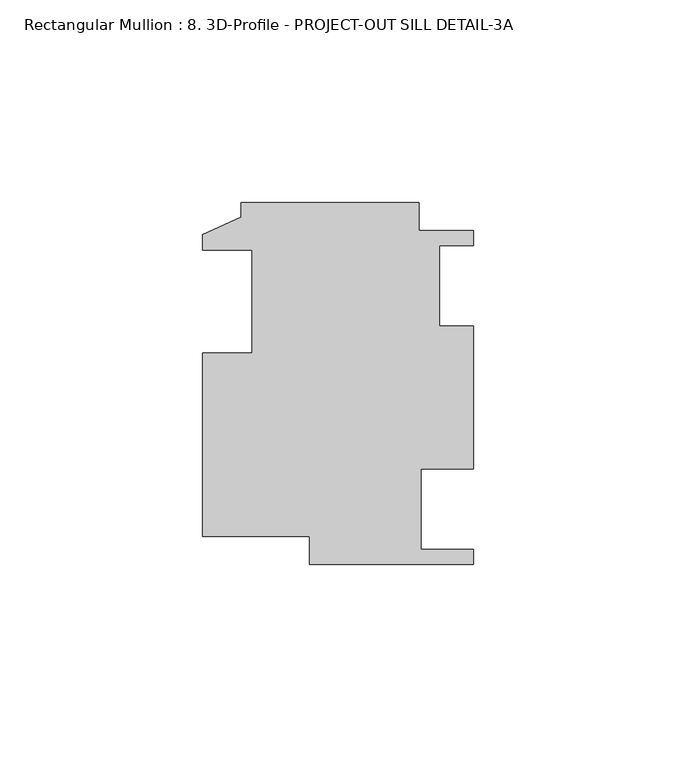
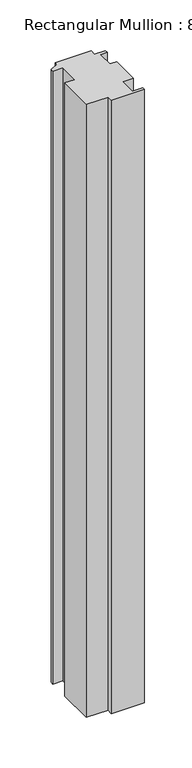
"""IFC4 building model written with IfcOpenShell, lengths in millimetres: member geometry, Rectangular Mullion : 8. 3D-Profile - PROJECT-OUT SILL DETAIL-3A."""

import ifcopenshell
import ifcopenshell.guid

model = None  # the IFC model being written
_history = None  # IfcOwnerHistory: only IFC2X3 demands one
_inside = {}  # id of a spatial element -> (the spatial element, [elements in it])
_under = {}  # id of a project, library or spatial element -> (it, [spatial elements below it])
_declared = {}  # id of a project -> (the project, [libraries it declares])
_typed = {}  # id of a type object -> (the type object, [elements of that type])
_made_of = {}  # id of a material, layer set ... -> (it, [elements and type objects made of it])


def new_model(schema):
    """Start an empty IFC model of exactly this schema.

    Asked for "IFC4X3", IfcOpenShell would pick the latest addendum, in which some entities
    have other attributes; the version numbers below select the first issue.
    IFC2X3 requires an IfcOwnerHistory on every rooted entity: one is made here for all.
    """
    global model, _history
    if schema == "IFC4X3":
        model = ifcopenshell.file(schema_version=(4, 3, 0, 0))
    else:
        model = ifcopenshell.file(schema=schema)
    _inside.clear()
    _under.clear()
    _declared.clear()
    _typed.clear()
    _made_of.clear()
    _history = None
    if model.schema == "IFC2X3":
        org = make("IfcOrganization", Name="unknown")
        user = make(
            "IfcPersonAndOrganization",
            ThePerson=make("IfcPerson", FamilyName="unknown"),
            TheOrganization=org,
        )
        app = make(
            "IfcApplication",
            ApplicationDeveloper=org,
            Version="unknown",
            ApplicationFullName="unknown",
            ApplicationIdentifier="unknown",
        )
        _history = make(
            "IfcOwnerHistory",
            OwningUser=user,
            OwningApplication=app,
            ChangeAction="ADDED",
            CreationDate=0,
        )
    return model


def make(cls, **values):
    """One entity of the class cls with the attributes given. An attribute that is None is left unset."""
    return model.create_entity(
        cls, **{name: value for name, value in values.items() if value is not None}
    )


def rooted(cls, **values):
    """An entity with a GlobalId (a new one), such as an element, a storey or a relation."""
    return make(cls, GlobalId=ifcopenshell.guid.new(), OwnerHistory=_history, **values)


def si_unit(unit_type, name, prefix=None):
    """IfcSIUnit, for example si_unit("LENGTHUNIT", "METRE", prefix="MILLI")."""
    return make("IfcSIUnit", UnitType=unit_type, Prefix=prefix, Name=name)


def assignment(units):
    """IfcUnitAssignment: the units of a project."""
    return None if units is None else make("IfcUnitAssignment", Units=units)


def point(xyz):
    """IfcCartesianPoint."""
    return None if xyz is None else make("IfcCartesianPoint", Coordinates=xyz)


def direction(xyz):
    """IfcDirection."""
    return None if xyz is None else make("IfcDirection", DirectionRatios=xyz)


def frame(location, z_axis=None, x_axis=None):
    """IfcAxis2Placement3D, a coordinate frame: its origin and axes. An axis left out is left unset."""
    return make(
        "IfcAxis2Placement3D",
        Location=point(location),
        Axis=direction(z_axis),
        RefDirection=direction(x_axis),
    )


def origin():
    """The frame at (0, 0, 0) with its axes left unset."""
    return frame((0.0, 0.0, 0.0))


def place(relative_to, where):
    """IfcLocalPlacement: puts the frame where relative to a parent placement (None: the world)."""
    return make(
        "IfcLocalPlacement", PlacementRelTo=relative_to, RelativePlacement=where
    )


def context(
    kind, dimensions, precision=None, world=None, true_north=None, identifier=None
):
    """IfcGeometricRepresentationContext, for example the 3D "Model" context."""
    return make(
        "IfcGeometricRepresentationContext",
        ContextIdentifier=identifier,
        ContextType=kind,
        CoordinateSpaceDimension=dimensions,
        Precision=precision,
        WorldCoordinateSystem=world,
        TrueNorth=true_north,
    )


def project(units=None, contexts=None):
    """IfcProject with its units and contexts."""
    return rooted(
        "IfcProject",
        Name="project",
        RepresentationContexts=contexts,
        UnitsInContext=assignment(units),
    )


def spatial(cls, under=None, at=None, **own):
    """A site, building, storey or space (cls), placed at a placement, below another one or the project."""
    s = rooted(cls, ObjectPlacement=at, **own)
    if under is not None:
        _under.setdefault(under.id(), (under, []))[1].append(s)
    return s


def polyline(points):
    """IfcPolyline through the points."""
    return make("IfcPolyline", Points=[point(p) for p in points])


def outline(outer, holes=None, kind="AREA"):
    """IfcArbitraryClosedProfileDef: a profile drawn as a closed curve; with holes, ...WithVoids."""
    if holes is None:
        return make("IfcArbitraryClosedProfileDef", ProfileType=kind, OuterCurve=outer)
    return make(
        "IfcArbitraryProfileDefWithVoids",
        ProfileType=kind,
        OuterCurve=outer,
        InnerCurves=holes,
    )


def extrude(swept, where, along, depth):
    """IfcExtrudedAreaSolid: the profile swept, set in the frame where, extruded along a direction by depth."""
    return make(
        "IfcExtrudedAreaSolid",
        SweptArea=swept,
        Position=where,
        ExtrudedDirection=direction(along),
        Depth=depth,
    )


def shape(context_of_items, identifier, shape_type, items):
    """IfcShapeRepresentation: the items that make up one representation, for example the "Body"."""
    return make(
        "IfcShapeRepresentation",
        ContextOfItems=context_of_items,
        RepresentationIdentifier=identifier,
        RepresentationType=shape_type,
        Items=items,
    )


def source(mapping_origin, context_of_items, identifier, shape_type, items):
    """IfcRepresentationMap: a shape defined once, which mapped items show again and again."""
    return make(
        "IfcRepresentationMap",
        MappingOrigin=mapping_origin,
        MappedRepresentation=shape(context_of_items, identifier, shape_type, items),
    )


def transform(
    local_origin,
    x_axis=None,
    y_axis=None,
    z_axis=None,
    scale=None,
    scale2=None,
    scale3=None,
    uniform=True,
):
    """IfcCartesianTransformationOperator3D, or its non-uniform kind. x_axis, y_axis, z_axis: its Axis1, 2, 3."""
    if uniform:
        return make(
            "IfcCartesianTransformationOperator3D",
            Axis1=direction(x_axis),
            Axis2=direction(y_axis),
            LocalOrigin=point(local_origin),
            Scale=scale,
            Axis3=direction(z_axis),
        )
    return make(
        "IfcCartesianTransformationOperator3DnonUniform",
        Axis1=direction(x_axis),
        Axis2=direction(y_axis),
        LocalOrigin=point(local_origin),
        Scale=scale,
        Axis3=direction(z_axis),
        Scale2=scale2,
        Scale3=scale3,
    )


def mapped(mapping_source, mapping_target):
    """IfcMappedItem: shows the shape of a source again, moved by a transform."""
    return make(
        "IfcMappedItem", MappingSource=mapping_source, MappingTarget=mapping_target
    )


def made_of(thing, what):
    """Note that an element or type object is made of a material, layer set ...; save() writes the relation."""
    if what is not None:
        _made_of.setdefault(what.id(), (what, []))[1].append(thing)
    return thing


def element(
    cls,
    number,
    at=None,
    inside=None,
    cuts=None,
    type_object=None,
    material=None,
    context=None,
    identifier="Body",
    shape_type=None,
    held_by="IfcProductDefinitionShape",
    body=None,
    shapes=None,
    **own,
):
    """One element of the class cls, such as IfcWall. Its Tag is "e" and its number.

    at: its placement. inside: the storey or other place that contains it. cuts: it is an
    opening in that element (IfcRelVoidsElement). A single representation is given by context,
    identifier, shape_type and body (its items); several are given by shapes. held_by: the class
    of the entity that holds the representations. save() writes the other relations.
    """
    e = rooted(cls, Tag="e%d" % number, ObjectPlacement=at, **own)
    if body is not None:
        shapes = [shape(context, identifier, shape_type, body)]
    if shapes is not None:
        e.Representation = make(held_by, Representations=shapes)
    if inside is not None:
        _inside.setdefault(inside.id(), (inside, []))[1].append(e)
    if cuts is not None:
        rooted(
            "IfcRelVoidsElement", RelatingBuildingElement=cuts, RelatedOpeningElement=e
        )
    if type_object is not None:
        _typed.setdefault(type_object.id(), (type_object, []))[1].append(e)
    return made_of(e, material)


def aggregate(whole, parts):
    """IfcRelAggregates: a whole, such as a stair, and the parts it consists of."""
    return rooted("IfcRelAggregates", RelatingObject=whole, RelatedObjects=parts)


def save(model, path):
    """Write the relations noted so far, then the file.

    IfcRelAggregates (storeys below a building ...), IfcRelContainedInSpatialStructure (elements
    in a storey), IfcRelDefinesByType, IfcRelAssociatesMaterial and IfcRelDeclares: one each for
    every whole, place, type object, material and project.
    """
    for whole, parts in _under.values():
        aggregate(whole, parts)
    for where, things in _inside.values():
        rooted(
            "IfcRelContainedInSpatialStructure",
            RelatedElements=things,
            RelatingStructure=where,
        )
    for kind, things in _typed.values():
        rooted("IfcRelDefinesByType", RelatedObjects=things, RelatingType=kind)
    for what, things in _made_of.values():
        rooted("IfcRelAssociatesMaterial", RelatedObjects=things, RelatingMaterial=what)
    for by, libraries in _declared.values():
        rooted("IfcRelDeclares", RelatingContext=by, RelatedDefinitions=libraries)
    model.write(path)


def rectangular_mullion_8_3d_profile_project_out_sill_detail_3a_fa789045(model_context):
    return source(origin(), model_context, "Body", "SweptSolid", [
        extrude(outline(polyline([(-57.4548, 43.0197137), (-13.4874, 43.0197137), (-13.4874, 36.1109137), (0.0, 36.1109137), (0.0, 32.3771137), (-8.4793826, 32.3771137), (-8.4793826, 12.5397137), (0.0, 12.5397137), (0.0, -22.8678863), (-12.9704259, -22.8678863), (-12.9704259, -42.7052863), (0.0, -42.7052863), (0.0, -46.4390863), (-40.4876, -46.4390863), (-40.4876, -39.5302863), (-66.9798, -39.5302863), (-66.9798, 5.7833137), (-54.7624, 5.7833137), (-54.7624, 31.1833137), (-66.9798, 31.1833137), (-66.9798, 35.0949137), (-57.4548, 39.4129137), (-57.4548, 43.0197137)])), frame((0.0, 0.0, -791.6925996), z_axis=(0.0, 0.0, 1.0), x_axis=(1.0, 0.0, 0.0)), (0.0, 0.0, 1.0), 791.6925996),
    ])


if __name__ == "__main__":
    model = new_model("IFC4")
    model_context = context("Model", 3, world=origin())
    ifc_project = project(units=[si_unit("LENGTHUNIT", "METRE", prefix="MILLI")], contexts=[model_context])
    site = spatial("IfcSite", under=ifc_project)
    building = spatial("IfcBuilding", under=site)
    placement = place(None, origin())
    rectangular_mullion_8_3d_profile_project_out_sill_detail_3a_shape = rectangular_mullion_8_3d_profile_project_out_sill_detail_3a_fa789045(model_context)
    element("IfcMember", 1, ObjectType="Rectangular Mullion : 8. 3D-Profile - PROJECT-OUT SILL DETAIL-3A", at=placement, inside=building, context=model_context, shape_type="MappedRepresentation", body=[
        mapped(rectangular_mullion_8_3d_profile_project_out_sill_detail_3a_shape, transform((0.0, 0.0, 0.0), x_axis=(1.0, 0.0, 0.0), y_axis=(0.0, 1.0, 0.0), z_axis=(0.0, 0.0, 1.0))),
    ])
    save(model, "model.ifc")
